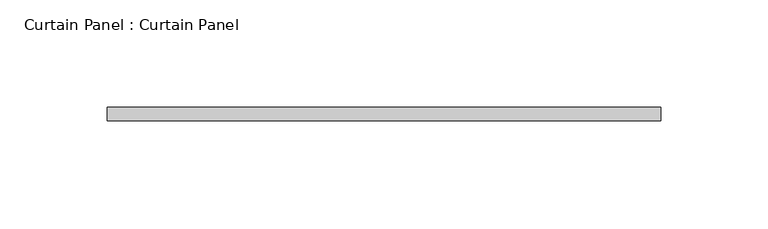
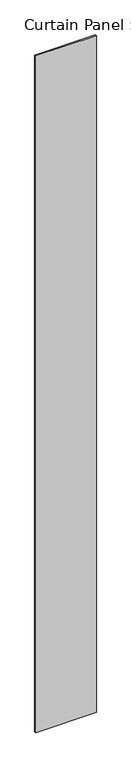
"""IFC4 building model written with IfcOpenShell, lengths in millimetres: plate geometry, Curtain Panel : Curtain Panel."""

from ifc_helpers import new_model, si_unit, origin, origin_with_axes, place, context, project, spatial, polyline, outline, extrude, source, transform, mapped, element, save


def curtain_panel_curtain_panel_748f2ee4(model_context):
    return source(origin(), model_context, "Body", "SweptSolid", [
        extrude(outline(polyline([(338107.5917744, 1445.5039638), (338366.3542744, 1445.5039638), (338366.3542744, 1439.1539638), (338107.5917744, 1439.1539638), (338107.5917744, 1445.5039638)])), origin_with_axes(), (0.0, 0.0, 1.0), 3048.0),
    ])


if __name__ == "__main__":
    model = new_model("IFC4")
    model_context = context("Model", 3, world=origin())
    ifc_project = project(units=[si_unit("LENGTHUNIT", "METRE", prefix="MILLI")], contexts=[model_context])
    site = spatial("IfcSite", under=ifc_project)
    building = spatial("IfcBuilding", under=site)
    placement = place(None, origin())
    curtain_panel_curtain_panel_shape = curtain_panel_curtain_panel_748f2ee4(model_context)
    element("IfcPlate", 1, ObjectType="Curtain Panel : Curtain Panel", at=placement, inside=building, context=model_context, shape_type="MappedRepresentation", body=[
        mapped(curtain_panel_curtain_panel_shape, transform((0.0, 0.0, 0.0), x_axis=(1.0, 0.0, 0.0), y_axis=(0.0, 1.0, 0.0), z_axis=(0.0, 0.0, 1.0))),
    ])
    save(model, "model.ifc")
